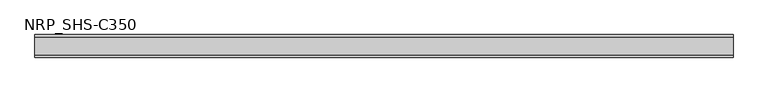
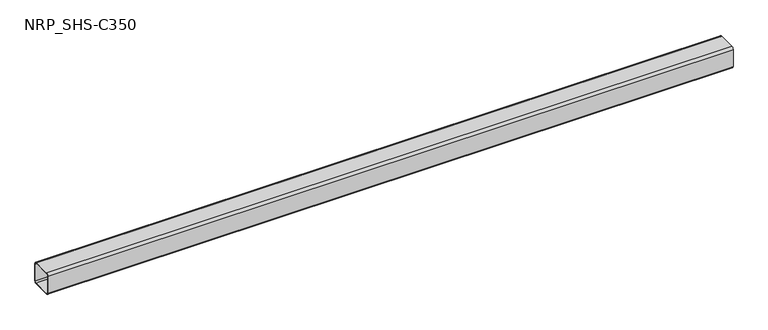
"""IFC4 building model written with IfcOpenShell, lengths in millimetres: member geometry, NRP_SHS-C350."""

from ifc_helpers import new_model, si_unit, point, frame, frame_2d, origin, place, context, project, spatial, polyline, circle_curve, trimmed, segment, composite_curve, outline, extrude, source, transform, mapped, element, save


def nrp_shs_c350_78f29261(model_context):
    return source(origin(), model_context, "Body", "SweptSolid", [
        extrude(outline(composite_curve([segment(polyline([(44.5, 35.75), (44.5, -35.75)]), True, "CONTINUOUS"), segment(trimmed(circle_curve(frame_2d((35.75, -35.75)), 8.75), [point((44.5, -35.75))], [point((35.75, -44.5))], False, "CARTESIAN"), True, "CONTINUOUS"), segment(polyline([(35.75, -44.5), (-35.75, -44.5)]), True, "CONTINUOUS"), segment(trimmed(circle_curve(frame_2d((-35.75, -35.75)), 8.75), [point((-35.75, -44.5))], [point((-44.5, -35.75))], False, "CARTESIAN"), True, "CONTINUOUS"), segment(polyline([(-44.5, -35.75), (-44.5, 35.75)]), True, "CONTINUOUS"), segment(trimmed(circle_curve(frame_2d((-35.75, 35.75)), 8.75), [point((-44.5, 35.75))], [point((-35.75, 44.5))], False, "CARTESIAN"), True, "CONTINUOUS"), segment(polyline([(-35.75, 44.5), (35.75, 44.5)]), True, "CONTINUOUS"), segment(trimmed(circle_curve(frame_2d((35.75, 35.75)), 8.75), [point((35.75, 44.5))], [point((44.5, 35.75))], False, "CARTESIAN"), True, "CONTINUOUS")], self_intersect=False), holes=[composite_curve([segment(trimmed(circle_curve(frame_2d((-35.75, 35.75)), 5.25), [point((-35.75, 41.0))], [point((-41.0, 35.75))], True, "CARTESIAN"), True, "CONTINUOUS"), segment(polyline([(-41.0, 35.75), (-41.0, -35.75)]), True, "CONTINUOUS"), segment(trimmed(circle_curve(frame_2d((-35.75, -35.75)), 5.25), [point((-41.0, -35.75))], [point((-35.75, -41.0))], True, "CARTESIAN"), True, "CONTINUOUS"), segment(polyline([(-35.75, -41.0), (35.75, -41.0)]), True, "CONTINUOUS"), segment(trimmed(circle_curve(frame_2d((35.75, -35.75)), 5.25), [point((35.75, -41.0))], [point((41.0, -35.75))], True, "CARTESIAN"), True, "CONTINUOUS"), segment(polyline([(41.0, -35.75), (41.0, 35.75)]), True, "CONTINUOUS"), segment(trimmed(circle_curve(frame_2d((35.75, 35.75)), 5.25), [point((41.0, 35.75))], [point((35.75, 41.0))], True, "CARTESIAN"), True, "CONTINUOUS"), segment(polyline([(35.75, 41.0), (-35.75, 41.0)]), True, "CONTINUOUS")], self_intersect=False)]), frame((-1372.0, 0.0, 0.0), z_axis=(1.0, 0.0, 0.0), x_axis=(0.0, 1.0, 0.0)), (0.0, 0.0, 1.0), 2749.0),
    ])


if __name__ == "__main__":
    model = new_model("IFC4")
    model_context = context("Model", 3, world=origin())
    ifc_project = project(units=[si_unit("LENGTHUNIT", "METRE", prefix="MILLI")], contexts=[model_context])
    site = spatial("IfcSite", under=ifc_project)
    building = spatial("IfcBuilding", under=site)
    placement = place(None, origin())
    nrp_shs_c350_shape = nrp_shs_c350_78f29261(model_context)
    element("IfcMember", 1, ObjectType="NRP_SHS-C350", at=placement, inside=building, context=model_context, shape_type="MappedRepresentation", body=[
        mapped(nrp_shs_c350_shape, transform((0.0, 0.0, 0.0), x_axis=(1.0, 0.0, 0.0), y_axis=(0.0, 1.0, 0.0), z_axis=(0.0, 0.0, 1.0))),
    ])
    save(model, "model.ifc")
